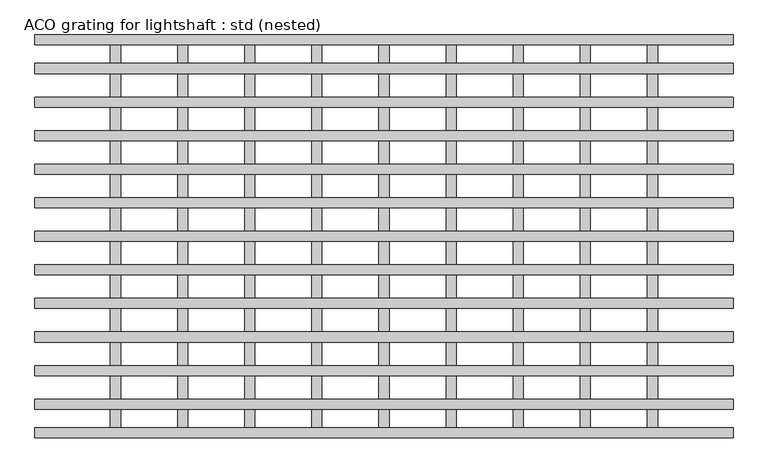
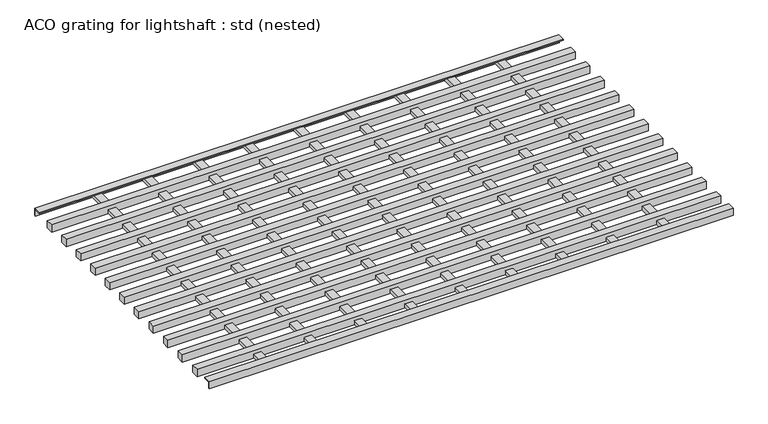
"""IFC4 building model written with IfcOpenShell, lengths in millimetres: sanitary terminal geometry, ACO grating for lightshaft : std (nested)."""

from ifc_helpers import new_model, si_unit, frame, origin, place, context, project, spatial, polyline, outline, extrude, source, transform, mapped, element, save


def aco_grating_for_lightshaft_std_nested_d2a538c1(model_context):
    return source(origin(), model_context, "Body", "SweptSolid", [
        extrude(outline(polyline([(-407.5, -2.0), (-392.5, -2.0), (-392.5, -598.0), (-407.5, -598.0), (-407.5, -2.0)])), frame((0.0, 0.0, -15.0), z_axis=(0.0, 0.0, 1.0), x_axis=(1.0, 0.0, 0.0)), (0.0, 0.0, 1.0), 7.5),
        extrude(outline(polyline([(-307.5, -2.0), (-292.5, -2.0), (-292.5, -598.0), (-307.5, -598.0), (-307.5, -2.0)])), frame((0.0, 0.0, -15.0), z_axis=(0.0, 0.0, 1.0), x_axis=(1.0, 0.0, 0.0)), (0.0, 0.0, 1.0), 7.5),
        extrude(outline(polyline([(-207.5, -2.0), (-192.5, -2.0), (-192.5, -598.0), (-207.5, -598.0), (-207.5, -2.0)])), frame((0.0, 0.0, -15.0), z_axis=(0.0, 0.0, 1.0), x_axis=(1.0, 0.0, 0.0)), (0.0, 0.0, 1.0), 7.5),
        extrude(outline(polyline([(-107.5, -2.0), (-92.5, -2.0), (-92.5, -598.0), (-107.5, -598.0), (-107.5, -2.0)])), frame((0.0, 0.0, -15.0), z_axis=(0.0, 0.0, 1.0), x_axis=(1.0, 0.0, 0.0)), (0.0, 0.0, 1.0), 7.5),
        extrude(outline(polyline([(407.5, -2.0), (407.5, -598.0), (392.5, -598.0), (392.5, -2.0), (407.5, -2.0)])), frame((0.0, 0.0, -15.0), z_axis=(0.0, 0.0, 1.0), x_axis=(1.0, 0.0, 0.0)), (0.0, 0.0, 1.0), 7.5),
        extrude(outline(polyline([(307.5, -2.0), (307.5, -598.0), (292.5, -598.0), (292.5, -2.0), (307.5, -2.0)])), frame((0.0, 0.0, -15.0), z_axis=(0.0, 0.0, 1.0), x_axis=(1.0, 0.0, 0.0)), (0.0, 0.0, 1.0), 7.5),
        extrude(outline(polyline([(207.5, -2.0), (207.5, -598.0), (192.5, -598.0), (192.5, -2.0), (207.5, -2.0)])), frame((0.0, 0.0, -15.0), z_axis=(0.0, 0.0, 1.0), x_axis=(1.0, 0.0, 0.0)), (0.0, 0.0, 1.0), 7.5),
        extrude(outline(polyline([(107.5, -2.0), (107.5, -598.0), (92.5, -598.0), (92.5, -2.0), (107.5, -2.0)])), frame((0.0, 0.0, -15.0), z_axis=(0.0, 0.0, 1.0), x_axis=(1.0, 0.0, 0.0)), (0.0, 0.0, 1.0), 7.5),
        extrude(outline(polyline([(7.5, -2.0), (7.5, -598.0), (-7.5, -598.0), (-7.5, -2.0), (7.5, -2.0)])), frame((0.0, 0.0, -15.0), z_axis=(0.0, 0.0, 1.0), x_axis=(1.0, 0.0, 0.0)), (0.0, 0.0, 1.0), 7.5),
        extrude(outline(polyline([(520.0, -557.5), (-520.0, -557.5), (-520.0, -542.5), (520.0, -542.5), (520.0, -557.5)])), frame((0.0, 0.0, -15.0), z_axis=(0.0, 0.0, 1.0), x_axis=(1.0, 0.0, 0.0)), (0.0, 0.0, 1.0), 15.0),
        extrude(outline(polyline([(520.0, -507.5), (-520.0, -507.5), (-520.0, -492.5), (520.0, -492.5), (520.0, -507.5)])), frame((0.0, 0.0, -15.0), z_axis=(0.0, 0.0, 1.0), x_axis=(1.0, 0.0, 0.0)), (0.0, 0.0, 1.0), 15.0),
        extrude(outline(polyline([(520.0, -457.5), (-520.0, -457.5), (-520.0, -442.5), (520.0, -442.5), (520.0, -457.5)])), frame((0.0, 0.0, -15.0), z_axis=(0.0, 0.0, 1.0), x_axis=(1.0, 0.0, 0.0)), (0.0, 0.0, 1.0), 15.0),
        extrude(outline(polyline([(520.0, -407.5), (-520.0, -407.5), (-520.0, -392.5), (520.0, -392.5), (520.0, -407.5)])), frame((0.0, 0.0, -15.0), z_axis=(0.0, 0.0, 1.0), x_axis=(1.0, 0.0, 0.0)), (0.0, 0.0, 1.0), 15.0),
        extrude(outline(polyline([(520.0, -357.5), (-520.0, -357.5), (-520.0, -342.5), (520.0, -342.5), (520.0, -357.5)])), frame((0.0, 0.0, -15.0), z_axis=(0.0, 0.0, 1.0), x_axis=(1.0, 0.0, 0.0)), (0.0, 0.0, 1.0), 15.0),
        extrude(outline(polyline([(520.0, -42.5), (520.0, -57.5), (-520.0, -57.5), (-520.0, -42.5), (520.0, -42.5)])), frame((0.0, 0.0, -15.0), z_axis=(0.0, 0.0, 1.0), x_axis=(1.0, 0.0, 0.0)), (0.0, 0.0, 1.0), 15.0),
        extrude(outline(polyline([(520.0, -92.5), (520.0, -107.5), (-520.0, -107.5), (-520.0, -92.5), (520.0, -92.5)])), frame((0.0, 0.0, -15.0), z_axis=(0.0, 0.0, 1.0), x_axis=(1.0, 0.0, 0.0)), (0.0, 0.0, 1.0), 15.0),
        extrude(outline(polyline([(520.0, -142.5), (520.0, -157.5), (-520.0, -157.5), (-520.0, -142.5), (520.0, -142.5)])), frame((0.0, 0.0, -15.0), z_axis=(0.0, 0.0, 1.0), x_axis=(1.0, 0.0, 0.0)), (0.0, 0.0, 1.0), 15.0),
        extrude(outline(polyline([(520.0, -192.5), (520.0, -207.5), (-520.0, -207.5), (-520.0, -192.5), (520.0, -192.5)])), frame((0.0, 0.0, -15.0), z_axis=(0.0, 0.0, 1.0), x_axis=(1.0, 0.0, 0.0)), (0.0, 0.0, 1.0), 15.0),
        extrude(outline(polyline([(520.0, -242.5), (520.0, -257.5), (-520.0, -257.5), (-520.0, -242.5), (520.0, -242.5)])), frame((0.0, 0.0, -15.0), z_axis=(0.0, 0.0, 1.0), x_axis=(1.0, 0.0, 0.0)), (0.0, 0.0, 1.0), 15.0),
        extrude(outline(polyline([(520.0, -292.5), (520.0, -307.5), (-520.0, -307.5), (-520.0, -292.5), (520.0, -292.5)])), frame((0.0, 0.0, -15.0), z_axis=(0.0, 0.0, 1.0), x_axis=(1.0, 0.0, 0.0)), (0.0, 0.0, 1.0), 15.0),
        extrude(outline(polyline([(-585.0, 0.0), (-585.0, -2.0), (-598.0, -2.0), (-598.0, -15.0), (-600.0, -15.0), (-600.0, 0.0), (-585.0, 0.0)])), frame((-520.0, 0.0, 0.0), z_axis=(1.0, 0.0, 0.0), x_axis=(0.0, 1.0, 0.0)), (0.0, 0.0, 1.0), 1040.0),
        extrude(outline(polyline([(0.0, -15.0), (-2.0, -15.0), (-2.0, -2.0), (-15.0, -2.0), (-15.0, 0.0), (0.0, 0.0), (0.0, -15.0)])), frame((-520.0, 0.0, 0.0), z_axis=(1.0, 0.0, 0.0), x_axis=(0.0, 1.0, 0.0)), (0.0, 0.0, 1.0), 1040.0),
    ])


if __name__ == "__main__":
    model = new_model("IFC4")
    model_context = context("Model", 3, world=origin())
    ifc_project = project(units=[si_unit("LENGTHUNIT", "METRE", prefix="MILLI")], contexts=[model_context])
    site = spatial("IfcSite", under=ifc_project)
    building = spatial("IfcBuilding", under=site)
    placement = place(None, origin())
    aco_grating_for_lightshaft_std_nested_shape = aco_grating_for_lightshaft_std_nested_d2a538c1(model_context)
    element("IfcSanitaryTerminal", 1, ObjectType="ACO grating for lightshaft : std (nested)", at=placement, inside=building, context=model_context, shape_type="MappedRepresentation", body=[
        mapped(aco_grating_for_lightshaft_std_nested_shape, transform((0.0, 0.0, 0.0), x_axis=(1.0, 0.0, 0.0), y_axis=(0.0, 1.0, 0.0), z_axis=(0.0, 0.0, 1.0))),
    ])
    save(model, "model.ifc")
